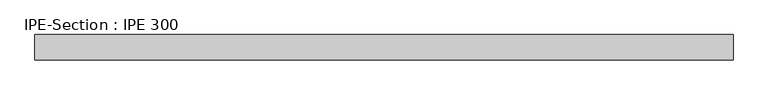
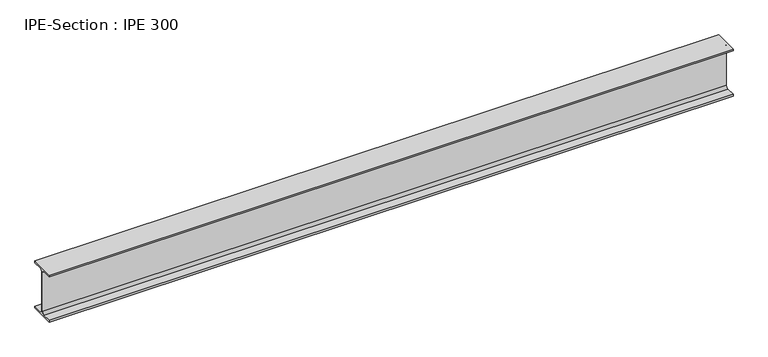
"""IFC4 building model written with IfcOpenShell, lengths in millimetres: beam geometry, IPE-Section : IPE 300."""

from ifc_helpers import new_model, si_unit, point, frame, frame_2d, origin, place, context, project, spatial, polyline, circle_curve, trimmed, segment, composite_curve, outline, extrude, source, transform, mapped, element, save


def ipe_section_ipe_300_279f46e9(model_context):
    return source(origin(), model_context, "Body", "SweptSolid", [
        extrude(outline(composite_curve([segment(polyline([(75.0, -139.3), (75.0, -150.0), (-75.0, -150.0), (-75.0, -139.3), (-18.55, -139.3)]), True, "CONTINUOUS"), segment(trimmed(circle_curve(frame_2d((-18.55, -124.3)), 15.0), [point((-18.55, -139.3))], [point((-3.55, -124.3))], True, "CARTESIAN"), True, "CONTINUOUS"), segment(polyline([(-3.55, -124.3), (-3.55, 124.3)]), True, "CONTINUOUS"), segment(trimmed(circle_curve(frame_2d((-18.55, 124.3)), 15.0), [point((-3.55, 124.3))], [point((-18.55, 139.3))], True, "CARTESIAN"), True, "CONTINUOUS"), segment(polyline([(-18.55, 139.3), (-75.0, 139.3), (-75.0, 150.0), (75.0, 150.0), (75.0, 139.3), (18.55, 139.3)]), True, "CONTINUOUS"), segment(trimmed(circle_curve(frame_2d((18.55, 124.3)), 15.0), [point((18.55, 139.3))], [point((3.55, 124.3))], True, "CARTESIAN"), True, "CONTINUOUS"), segment(polyline([(3.55, 124.3), (3.55, -124.3)]), True, "CONTINUOUS"), segment(trimmed(circle_curve(frame_2d((18.55, -124.3)), 15.0), [point((3.55, -124.3))], [point((18.55, -139.3))], True, "CARTESIAN"), True, "CONTINUOUS"), segment(polyline([(18.55, -139.3), (75.0, -139.3)]), True, "CONTINUOUS")], self_intersect=False)), frame((-2043.2166667, 0.0, 0.0), z_axis=(1.0, 0.0, 0.0), x_axis=(0.0, 1.0, 0.0)), (0.0, 0.0, 1.0), 4131.1333333),
    ])


if __name__ == "__main__":
    model = new_model("IFC4")
    model_context = context("Model", 3, world=origin())
    ifc_project = project(units=[si_unit("LENGTHUNIT", "METRE", prefix="MILLI")], contexts=[model_context])
    site = spatial("IfcSite", under=ifc_project)
    building = spatial("IfcBuilding", under=site)
    placement = place(None, origin())
    ipe_section_ipe_300_shape = ipe_section_ipe_300_279f46e9(model_context)
    element("IfcBeam", 1, ObjectType="IPE-Section : IPE 300", at=placement, inside=building, context=model_context, shape_type="MappedRepresentation", body=[
        mapped(ipe_section_ipe_300_shape, transform((0.0, 0.0, 0.0), x_axis=(1.0, 0.0, 0.0), y_axis=(0.0, 1.0, 0.0), z_axis=(0.0, 0.0, 1.0))),
    ])
    save(model, "model.ifc")
